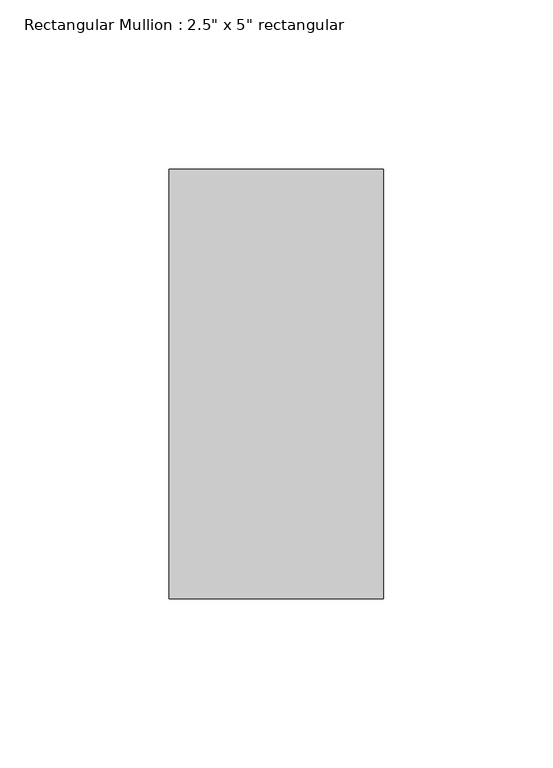
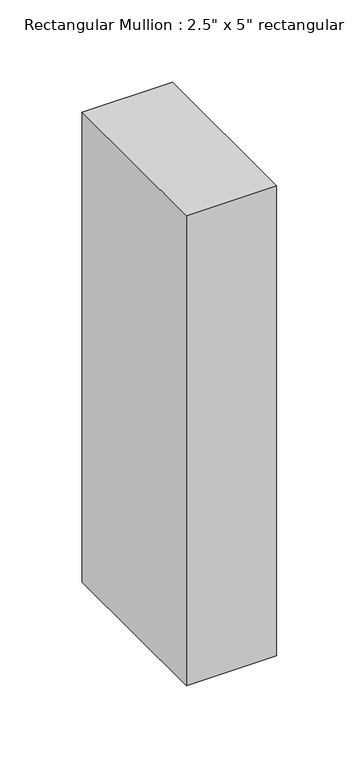
"""IFC4 building model written with IfcOpenShell, lengths in millimetres: member geometry."""

from ifc_helpers import new_model, si_unit, frame, origin, place, context, project, spatial, polyline, outline, extrude, source, transform, mapped, element, save


def member_285f5b4f(model_context):
    return source(origin(), model_context, "Body", "SweptSolid", [
        extrude(outline(polyline([(0.0, 63.5), (0.0, -63.5), (-63.5, -63.5), (-63.5, 63.5), (0.0, 63.5)])), frame((0.0, 0.0, -349.25), z_axis=(0.0, 0.0, 1.0), x_axis=(1.0, 0.0, 0.0)), (0.0, 0.0, 1.0), 349.25),
    ])


if __name__ == "__main__":
    model = new_model("IFC4")
    model_context = context("Model", 3, world=origin())
    ifc_project = project(units=[si_unit("LENGTHUNIT", "METRE", prefix="MILLI")], contexts=[model_context])
    site = spatial("IfcSite", under=ifc_project)
    building = spatial("IfcBuilding", under=site)
    placement = place(None, origin())
    member_shape = member_285f5b4f(model_context)
    element("IfcMember", 1, ObjectType="Rectangular Mullion : 2.5\" x 5\" rectangular", at=placement, inside=building, context=model_context, shape_type="MappedRepresentation", body=[
        mapped(member_shape, transform((0.0, 0.0, 0.0), x_axis=(1.0, 0.0, 0.0), y_axis=(0.0, 1.0, 0.0), z_axis=(0.0, 0.0, 1.0))),
    ])
    save(model, "model.ifc")
